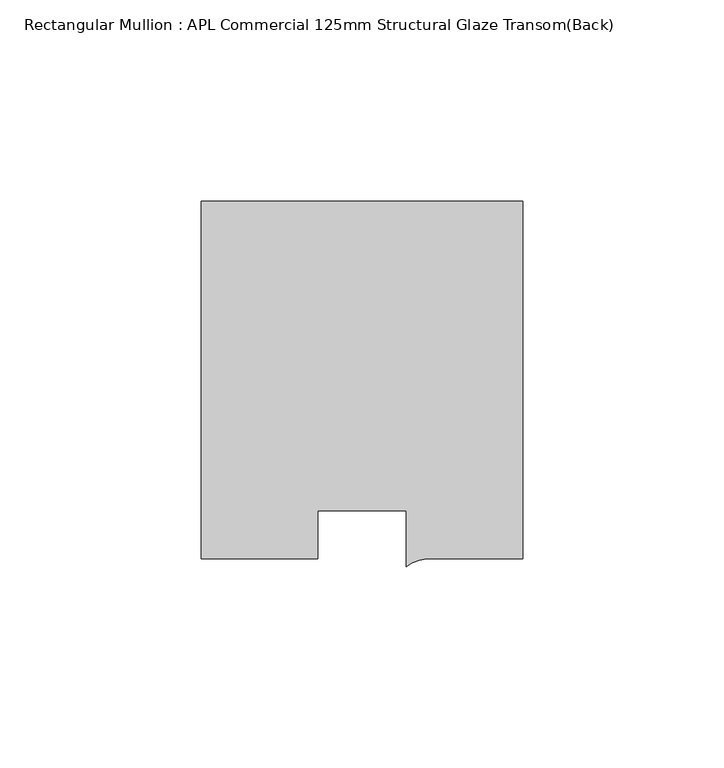
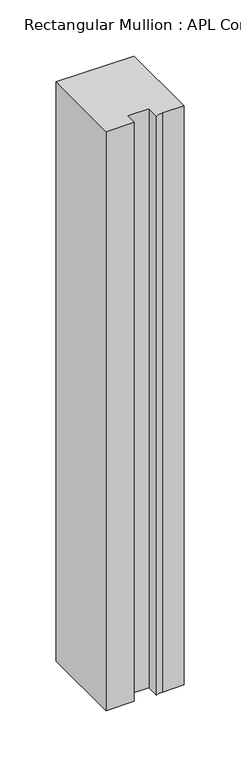
"""IFC4 building model written with IfcOpenShell, lengths in millimetres: member geometry, Rectangular Mullion : APL Commercial 125mm Structural Glaze Transom(Back)."""

from ifc_helpers import new_model, si_unit, point, frame, frame_2d, origin, place, context, project, spatial, polyline, circle_curve, trimmed, segment, composite_curve, outline, extrude, source, transform, mapped, element, save


def rectangular_mullion_apl_commercial_125mm_structural_glaze_3ca34782(model_context):
    return source(origin(), model_context, "Body", "SweptSolid", [
        extrude(outline(composite_curve([segment(polyline([(40.0, 104.0), (40.0, 15.0000829), (17.9999542, 15.0000829)]), True, "CONTINUOUS"), segment(trimmed(circle_curve(frame_2d((17.1097719, 4.581653)), 10.4563907), [point((17.9999542, 15.0000829))], [point((11.0000151, 13.0673455))], True, "CARTESIAN"), True, "CONTINUOUS"), segment(polyline([(11.0000151, 13.0673455), (11.0000151, 27.0), (-11.0000151, 27.0), (-11.0000151, 15.0000829), (-40.0, 15.0000829), (-40.0, 104.0), (40.0, 104.0)]), True, "CONTINUOUS")], self_intersect=False)), frame((0.0, 0.0, -629.1971776), z_axis=(0.0, 0.0, 1.0), x_axis=(1.0, 0.0, 0.0)), (0.0, 0.0, 1.0), 629.1971776),
    ])


if __name__ == "__main__":
    model = new_model("IFC4")
    model_context = context("Model", 3, world=origin())
    ifc_project = project(units=[si_unit("LENGTHUNIT", "METRE", prefix="MILLI")], contexts=[model_context])
    site = spatial("IfcSite", under=ifc_project)
    building = spatial("IfcBuilding", under=site)
    placement = place(None, origin())
    rectangular_mullion_apl_commercial_125mm_structural_glaze_shape = rectangular_mullion_apl_commercial_125mm_structural_glaze_3ca34782(model_context)
    element("IfcMember", 1, ObjectType="Rectangular Mullion : APL Commercial 125mm Structural Glaze Transom(Back)", at=placement, inside=building, context=model_context, shape_type="MappedRepresentation", body=[
        mapped(rectangular_mullion_apl_commercial_125mm_structural_glaze_shape, transform((0.0, 0.0, 0.0), x_axis=(1.0, 0.0, 0.0), y_axis=(0.0, 1.0, 0.0), z_axis=(0.0, 0.0, 1.0))),
    ])
    save(model, "model.ifc")
